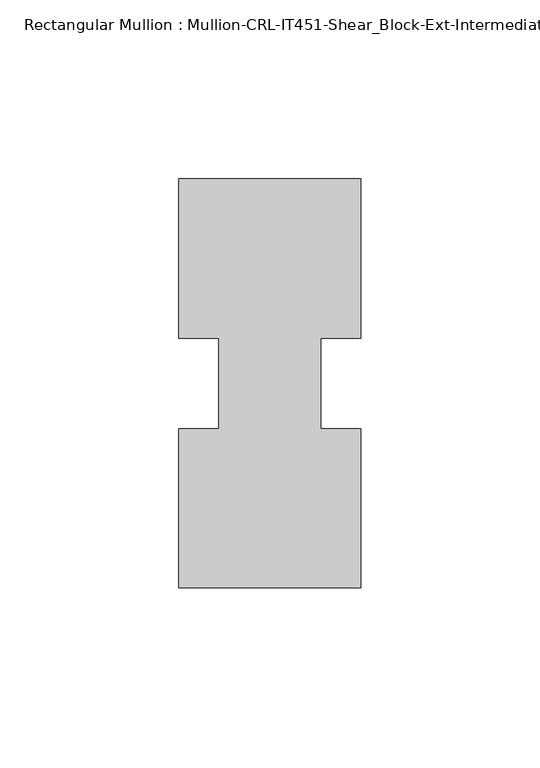
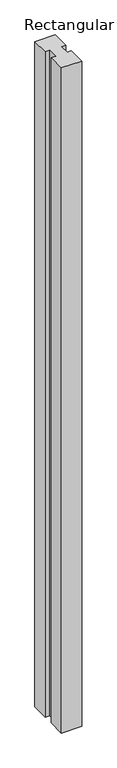
"""IFC4 building model written with IfcOpenShell, lengths in millimetres: member geometry, Rectangular Mullion : Mullion-CRL-IT451-Shear_Block-Ext-Intermediate_Horizontal."""

from ifc_helpers import new_model, si_unit, frame, origin, place, context, project, spatial, polyline, outline, extrude, source, transform, mapped, element, save


def rectangular_mullion_mullion_crl_it451_shear_block_ext_0b9a46d7(model_context):
    return source(origin(), model_context, "Body", "SweptSolid", [
        extrude(outline(polyline([(-25.4, 57.1500171), (25.4, 57.1500171), (25.4, 12.7000171), (14.2875, 12.7000171), (14.2875, -12.7000171), (25.4, -12.7000171), (25.4, -57.1499829), (-25.4, -57.1499829), (-25.4, -12.7000171), (-14.2875, -12.7000171), (-14.2875, 12.7000171), (-25.4, 12.7000171), (-25.4, 57.1500171)])), frame((0.0, 0.0, -1752.6), z_axis=(0.0, 0.0, 1.0), x_axis=(1.0, 0.0, 0.0)), (0.0, 0.0, 1.0), 1752.6),
    ])


if __name__ == "__main__":
    model = new_model("IFC4")
    model_context = context("Model", 3, world=origin())
    ifc_project = project(units=[si_unit("LENGTHUNIT", "METRE", prefix="MILLI")], contexts=[model_context])
    site = spatial("IfcSite", under=ifc_project)
    building = spatial("IfcBuilding", under=site)
    placement = place(None, origin())
    rectangular_mullion_mullion_crl_it451_shear_block_ext_shape = rectangular_mullion_mullion_crl_it451_shear_block_ext_0b9a46d7(model_context)
    element("IfcMember", 1, ObjectType="Rectangular Mullion : Mullion-CRL-IT451-Shear_Block-Ext-Intermediate_Horizontal", at=placement, inside=building, context=model_context, shape_type="MappedRepresentation", body=[
        mapped(rectangular_mullion_mullion_crl_it451_shear_block_ext_shape, transform((0.0, 0.0, 0.0), x_axis=(1.0, 0.0, 0.0), y_axis=(0.0, 1.0, 0.0), z_axis=(0.0, 0.0, 1.0))),
    ])
    save(model, "model.ifc")
